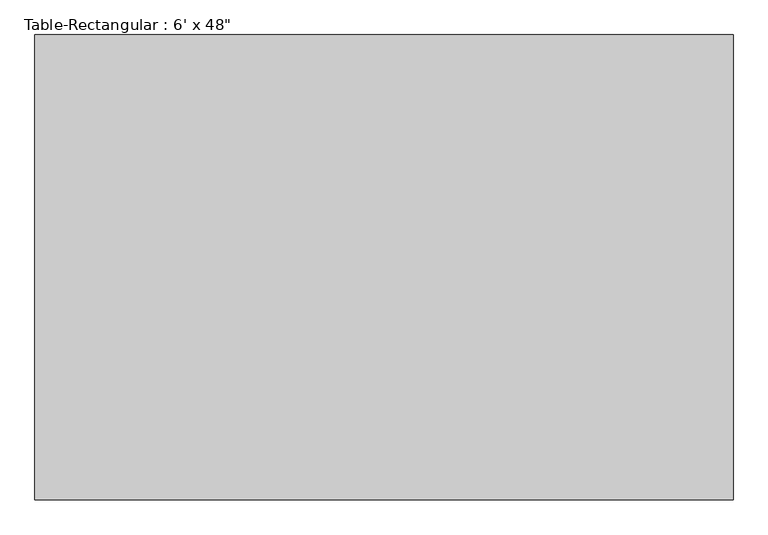
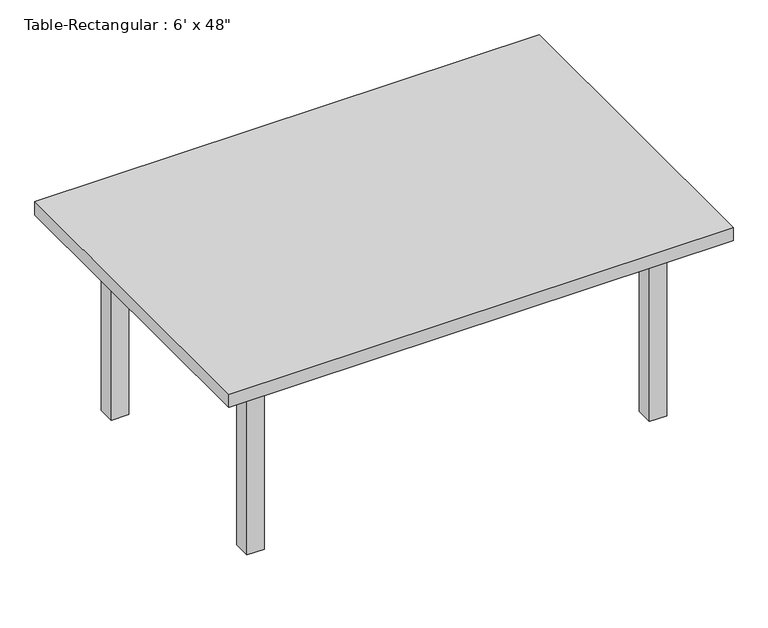
"""IFC4 building model written with IfcOpenShell, lengths in millimetres: furniture geometry."""

from ifc_helpers import new_model, si_unit, frame, origin, origin_with_axes, place, context, project, spatial, polyline, outline, extrude, source, transform, mapped, element, save


def furniture_bcf5273d(model_context):
    return source(origin(), model_context, "Body", "SweptSolid", [
        extrude(outline(polyline([(698.5, -419.1), (-698.5, -419.1), (-698.5, -393.7), (698.5, -393.7), (698.5, -419.1)])), frame((0.0, 0.0, 609.6), z_axis=(0.0, 0.0, 1.0), x_axis=(1.0, 0.0, 0.0)), (0.0, 0.0, 1.0), 101.6),
        extrude(outline(polyline([(698.5, 419.1), (698.5, 393.7), (-698.5, 393.7), (-698.5, 419.1), (698.5, 419.1)])), frame((0.0, 0.0, 609.6), z_axis=(0.0, 0.0, 1.0), x_axis=(1.0, 0.0, 0.0)), (0.0, 0.0, 1.0), 101.6),
        extrude(outline(polyline([(-711.2, 393.7), (-711.2, -393.7), (-736.6, -393.7), (-736.6, 393.7), (-711.2, 393.7)])), frame((0.0, 0.0, 609.6), z_axis=(0.0, 0.0, 1.0), x_axis=(1.0, 0.0, 0.0)), (0.0, 0.0, 1.0), 101.6),
        extrude(outline(polyline([(711.2, 393.7), (736.6, 393.7), (736.6, -393.7), (711.2, -393.7), (711.2, 393.7)])), frame((0.0, 0.0, 609.6), z_axis=(0.0, 0.0, 1.0), x_axis=(1.0, 0.0, 0.0)), (0.0, 0.0, 1.0), 101.6),
        extrude(outline(polyline([(914.4, -609.6), (-914.4, -609.6), (-914.4, 609.6), (914.4, 609.6), (914.4, -609.6)])), frame((0.0, 0.0, 711.2), z_axis=(0.0, 0.0, 1.0), x_axis=(1.0, 0.0, 0.0)), (0.0, 0.0, 1.0), 50.8),
        extrude(outline(polyline([(-698.5, -457.2), (-762.0, -457.2), (-762.0, -393.7), (-698.5, -393.7), (-698.5, -457.2)])), origin_with_axes(), (0.0, 0.0, 1.0), 711.2),
        extrude(outline(polyline([(698.5, -457.2), (698.5, -393.7), (762.0, -393.7), (762.0, -457.2), (698.5, -457.2)])), origin_with_axes(), (0.0, 0.0, 1.0), 711.2),
        extrude(outline(polyline([(-698.5, 457.2), (-698.5, 393.7), (-762.0, 393.7), (-762.0, 457.2), (-698.5, 457.2)])), origin_with_axes(), (0.0, 0.0, 1.0), 711.2),
        extrude(outline(polyline([(698.5, 457.2), (762.0, 457.2), (762.0, 393.7), (698.5, 393.7), (698.5, 457.2)])), origin_with_axes(), (0.0, 0.0, 1.0), 711.2),
    ])


if __name__ == "__main__":
    model = new_model("IFC4")
    model_context = context("Model", 3, world=origin())
    ifc_project = project(units=[si_unit("LENGTHUNIT", "METRE", prefix="MILLI")], contexts=[model_context])
    site = spatial("IfcSite", under=ifc_project)
    building = spatial("IfcBuilding", under=site)
    placement = place(None, origin())
    furniture_shape = furniture_bcf5273d(model_context)
    element("IfcFurniture", 1, ObjectType="Table-Rectangular : 6' x 48\"", at=placement, inside=building, context=model_context, shape_type="MappedRepresentation", body=[
        mapped(furniture_shape, transform((0.0, 0.0, 0.0), x_axis=(1.0, 0.0, 0.0), y_axis=(0.0, 1.0, 0.0), z_axis=(0.0, 0.0, 1.0))),
    ])
    save(model, "model.ifc")
